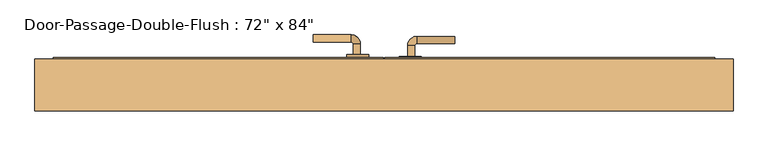
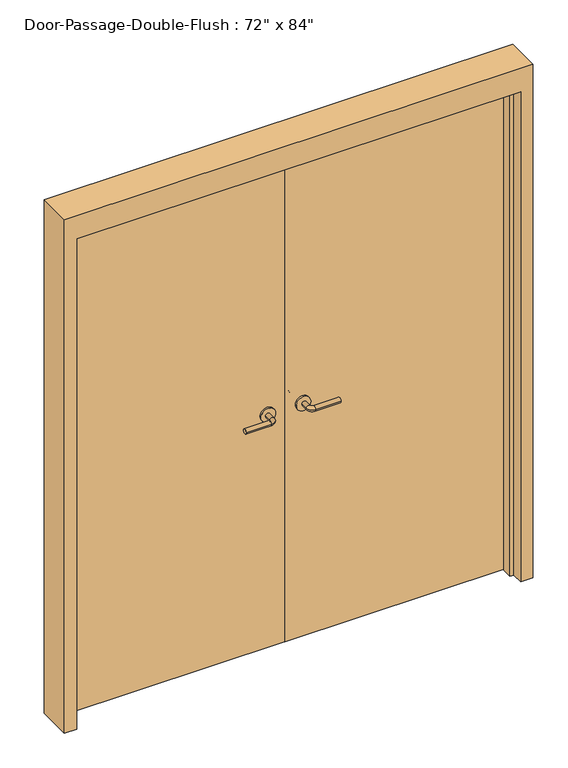
"""IFC4 building model written with IfcOpenShell, lengths in millimetres: door geometry."""

from ifc_helpers import new_model, si_unit, point, frame, frame_2d, origin, origin_with_axes, place, context, project, spatial, polyline, circle_curve, ellipse_curve, trimmed, segment, composite_curve, outline, extrude, faceted_brep, source, transform, mapped, element, save
from ifc_brep_helpers import plane_surface, cylinder_surface, revolved_surface, advanced_brep


def door_ceb402e0(model_context):
    return source(origin(), model_context, "Body", "SolidModel", [
        advanced_brep(
        [(-65.009375, 25.3375, 1016.0), (-85.009375, 25.3375, 1016.0), (-65.009375, -4.6625, 1016.0), (-85.009375, -4.6625, 1016.0), (-90.009375, -9.6625, 1016.0), (-90.009375, -29.6625, 1016.0), (-195.009375, -29.6625, 1016.0), (-195.009375, -9.6625, 1016.0)],
        [
            (0, 1, circle_curve(frame((-75.009375, 25.3375, 1016.0), z_axis=(0.0, 1.0, 0.0), x_axis=(-1.0, 0.0, 0.0)), 10.0)),
            (1, 0, circle_curve(frame((-75.009375, 25.3375, 1016.0), z_axis=(0.0, 1.0, 0.0), x_axis=(-1.0, 0.0, 0.0)), 10.0)),
            (0, 2),
            (2, 3, circle_curve(frame((-75.009375, -4.6625, 1016.0), z_axis=(0.0, 1.0, 0.0), x_axis=(-1.0, 0.0, 0.0)), 10.0)),
            (3, 1),
            (3, 2, circle_curve(frame((-75.009375, -4.6625, 1016.0), z_axis=(0.0, 1.0, 0.0), x_axis=(-1.0, 0.0, 0.0)), 10.0)),
            (4, 3, circle_curve(frame((-90.009375, -4.6625, 1016.0), z_axis=(0.0, 0.0, 1.0), x_axis=(1.0, 0.0, 0.0)), 5.0)),
            (2, 5, circle_curve(frame((-90.009375, -4.6625, 1016.0), z_axis=(0.0, 0.0, -1.0), x_axis=(1.0, 0.0, 0.0)), 25.0)),
            (5, 4, circle_curve(frame((-90.009375, -19.6625, 1016.0), z_axis=(1.0, 0.0, 0.0), x_axis=(0.0, 1.0, 0.0)), 10.0)),
            (4, 5, circle_curve(frame((-90.009375, -19.6625, 1016.0), z_axis=(1.0, 0.0, 0.0), x_axis=(0.0, 1.0, 0.0)), 10.0)),
            (6, 7, circle_curve(frame((-195.009375, -19.6625, 1016.0), z_axis=(-1.0, 0.0, 0.0), x_axis=(0.0, 1.0, 0.0)), 10.0)),
            (7, 6, circle_curve(frame((-195.009375, -19.6625, 1016.0), z_axis=(-1.0, 0.0, 0.0), x_axis=(0.0, 1.0, 0.0)), 10.0)),
            (5, 6),
            (7, 4),
        ],
        [
            plane_surface(frame((-75.009375, 25.3375, 1016.0), z_axis=(0.0, 1.0, 0.0), x_axis=(0.0, 0.0, 1.0))),
            cylinder_surface(frame((-75.009375, 25.3375, 1016.0), z_axis=(0.0, 1.0, 0.0), x_axis=(-1.0, 0.0, 0.0)), 10.0),
            revolved_surface(trimmed(ellipse_curve(frame((-75.009375, -4.6625, 1016.0), z_axis=(0.0, 1.0, 0.0), x_axis=(-1.0, 0.0, 0.0)), 10.0, 10.0), [point((-65.009375, -4.6625, 1016.0))], [point((-85.009375, -4.6625, 1016.0))], True, "CARTESIAN"), (-90.009375, -4.6625, 1016.0), (0.0, 0.0, -1.0)),
            revolved_surface(trimmed(ellipse_curve(frame((-75.009375, -4.6625, 1016.0), z_axis=(0.0, 1.0, 0.0), x_axis=(-1.0, 0.0, 0.0)), 10.0, 10.0), [point((-85.009375, -4.6625, 1016.0))], [point((-65.009375, -4.6625, 1016.0))], True, "CARTESIAN"), (-90.009375, -4.6625, 1016.0), (0.0, 0.0, -1.0)),
            plane_surface(frame((-195.009375, -19.6625, 1016.0), z_axis=(-1.0, 0.0, 0.0), x_axis=(0.0, 0.0, 1.0))),
            cylinder_surface(frame((-90.009375, -19.6625, 1016.0), z_axis=(1.0, 0.0, 0.0), x_axis=(0.0, 1.0, 0.0)), 10.0),
        ],
        [
            (0, [[1, 2]]),
            (1, [[-1, 3, 4, 5]]),
            (1, [[-2, -5, 6, -3]]),
            (2, [[7, -4, 8, 9]]),
            (3, [[-8, -6, -7, 10]]),
            (4, [[11, 12]]),
            (5, [[-9, 13, -12, 14]]),
            (5, [[-10, -14, -11, -13]]),
        ],
    ),
        extrude(outline(composite_curve([segment(trimmed(circle_curve(frame_2d((1016.0, -72.509375)), 30.0), [point((1016.0, -42.509375))], [point((1016.0, -102.509375))], False, "CARTESIAN"), True, "CONTINUOUS"), segment(trimmed(circle_curve(frame_2d((1016.0, -72.509375)), 30.0), [point((1016.0, -102.509375))], [point((1016.0, -42.509375))], False, "CARTESIAN"), True, "CONTINUOUS")], self_intersect=False)), frame((0.0, 25.3375, 0.0), z_axis=(0.0, 1.0, 0.0), x_axis=(0.0, 0.0, 1.0)), (0.0, 0.0, 1.0), 8.0),
        advanced_brep(
        [(-65.009375, 90.55, 1016.0), (-85.009375, 90.55, 1016.0), (-85.009375, 120.55, 1016.0), (-65.009375, 120.55, 1016.0), (-90.009375, 125.55, 1016.0), (-90.009375, 145.55, 1016.0), (-195.009375, 145.55, 1016.0), (-195.009375, 125.55, 1016.0)],
        [
            (0, 1, circle_curve(frame((-75.009375, 90.55, 1016.0), z_axis=(0.0, -1.0, 0.0), x_axis=(-1.0, 0.0, 0.0)), 10.0)),
            (1, 0, circle_curve(frame((-75.009375, 90.55, 1016.0), z_axis=(0.0, -1.0, 0.0), x_axis=(-1.0, 0.0, 0.0)), 10.0)),
            (1, 2),
            (2, 3, circle_curve(frame((-75.009375, 120.55, 1016.0), z_axis=(0.0, -1.0, 0.0), x_axis=(-1.0, 0.0, 0.0)), 10.0)),
            (3, 0),
            (3, 2, circle_curve(frame((-75.009375, 120.55, 1016.0), z_axis=(0.0, -1.0, 0.0), x_axis=(-1.0, 0.0, 0.0)), 10.0)),
            (4, 5, circle_curve(frame((-90.009375, 135.55, 1016.0), z_axis=(1.0, 0.0, 0.0), x_axis=(0.0, -1.0, 0.0)), 10.0)),
            (5, 3, circle_curve(frame((-90.009375, 120.55, 1016.0), z_axis=(0.0, 0.0, -1.0), x_axis=(1.0, 0.0, 0.0)), 25.0)),
            (2, 4, circle_curve(frame((-90.009375, 120.55, 1016.0), z_axis=(0.0, 0.0, 1.0), x_axis=(1.0, 0.0, 0.0)), 5.0)),
            (5, 4, circle_curve(frame((-90.009375, 135.55, 1016.0), z_axis=(1.0, 0.0, 0.0), x_axis=(0.0, -1.0, 0.0)), 10.0)),
            (6, 7, circle_curve(frame((-195.009375, 135.55, 1016.0), z_axis=(-1.0, 0.0, 0.0), x_axis=(0.0, -1.0, 0.0)), 10.0)),
            (7, 6, circle_curve(frame((-195.009375, 135.55, 1016.0), z_axis=(-1.0, 0.0, 0.0), x_axis=(0.0, -1.0, 0.0)), 10.0)),
            (4, 7),
            (6, 5),
        ],
        [
            plane_surface(frame((-75.009375, 90.55, 1016.0), z_axis=(0.0, -1.0, 0.0), x_axis=(0.0, 0.0, 1.0))),
            cylinder_surface(frame((-75.009375, 90.55, 1016.0), z_axis=(0.0, -1.0, 0.0), x_axis=(-1.0, 0.0, 0.0)), 10.0),
            revolved_surface(trimmed(ellipse_curve(frame((-75.009375, 120.55, 1016.0), z_axis=(0.0, 1.0, 0.0), x_axis=(-1.0, 0.0, 0.0)), 10.0, 10.0), [point((-65.009375, 120.55, 1016.0))], [point((-85.009375, 120.55, 1016.0))], True, "CARTESIAN"), (-90.009375, 120.55, 1016.0), (0.0, 0.0, -1.0)),
            revolved_surface(trimmed(ellipse_curve(frame((-75.009375, 120.55, 1016.0), z_axis=(0.0, 1.0, 0.0), x_axis=(-1.0, 0.0, 0.0)), 10.0, 10.0), [point((-85.009375, 120.55, 1016.0))], [point((-65.009375, 120.55, 1016.0))], True, "CARTESIAN"), (-90.009375, 120.55, 1016.0), (0.0, 0.0, -1.0)),
            plane_surface(frame((-195.009375, 135.55, 1016.0), z_axis=(-1.0, 0.0, 0.0), x_axis=(0.0, 0.0, 1.0))),
            cylinder_surface(frame((-90.009375, 135.55, 1016.0), z_axis=(1.0, 0.0, 0.0), x_axis=(0.0, -1.0, 0.0)), 10.0),
        ],
        [
            (0, [[1, 2]]),
            (1, [[3, 4, 5, -2]]),
            (1, [[-5, 6, -3, -1]]),
            (2, [[7, 8, -4, 9]]),
            (3, [[10, -9, -6, -8]]),
            (4, [[11, 12]]),
            (5, [[13, -11, 14, -7]]),
            (5, [[-14, -12, -13, -10]]),
        ],
    ),
        extrude(outline(composite_curve([segment(trimmed(circle_curve(frame_2d((1016.0, -72.509375)), 30.0), [point((1016.0, -42.509375))], [point((1016.0, -102.509375))], False, "CARTESIAN"), True, "CONTINUOUS"), segment(trimmed(circle_curve(frame_2d((1016.0, -72.509375)), 30.0), [point((1016.0, -102.509375))], [point((1016.0, -42.509375))], False, "CARTESIAN"), True, "CONTINUOUS")], self_intersect=False)), frame((0.0, 82.55, 0.0), z_axis=(0.0, 1.0, 0.0), x_axis=(0.0, 0.0, 1.0)), (0.0, 0.0, 1.0), 8.0),
        advanced_brep(
        [(65.009375, 25.3375, 1016.0), (85.009375, 25.3375, 1016.0), (85.009375, -4.6625, 1016.0), (65.009375, -4.6625, 1016.0), (90.009375, -9.6625, 1016.0), (90.009375, -29.6625, 1016.0), (195.009375, -29.6625, 1016.0), (195.009375, -9.6625, 1016.0)],
        [
            (0, 1, circle_curve(frame((75.009375, 25.3375, 1016.0), z_axis=(0.0, 1.0, 0.0), x_axis=(1.0, 0.0, 0.0)), 10.0)),
            (1, 0, circle_curve(frame((75.009375, 25.3375, 1016.0), z_axis=(0.0, 1.0, 0.0), x_axis=(1.0, 0.0, 0.0)), 10.0)),
            (1, 2),
            (2, 3, circle_curve(frame((75.009375, -4.6625, 1016.0), z_axis=(0.0, 1.0, 0.0), x_axis=(1.0, 0.0, 0.0)), 10.0)),
            (3, 0),
            (3, 2, circle_curve(frame((75.009375, -4.6625, 1016.0), z_axis=(0.0, 1.0, 0.0), x_axis=(1.0, 0.0, 0.0)), 10.0)),
            (4, 5, circle_curve(frame((90.009375, -19.6625, 1016.0), z_axis=(-1.0, 0.0, 0.0), x_axis=(0.0, 1.0, 0.0)), 10.0)),
            (5, 3, circle_curve(frame((90.009375, -4.6625, 1016.0), z_axis=(0.0, 0.0, -1.0), x_axis=(-1.0, 0.0, 0.0)), 25.0)),
            (2, 4, circle_curve(frame((90.009375, -4.6625, 1016.0), z_axis=(0.0, 0.0, 1.0), x_axis=(-1.0, 0.0, 0.0)), 5.0)),
            (5, 4, circle_curve(frame((90.009375, -19.6625, 1016.0), z_axis=(-1.0, 0.0, 0.0), x_axis=(0.0, 1.0, 0.0)), 10.0)),
            (6, 7, circle_curve(frame((195.009375, -19.6625, 1016.0), z_axis=(1.0, 0.0, 0.0), x_axis=(0.0, 1.0, 0.0)), 10.0)),
            (7, 6, circle_curve(frame((195.009375, -19.6625, 1016.0), z_axis=(1.0, 0.0, 0.0), x_axis=(0.0, 1.0, 0.0)), 10.0)),
            (4, 7),
            (6, 5),
        ],
        [
            plane_surface(frame((75.009375, 25.3375, 1016.0), z_axis=(0.0, 1.0, 0.0), x_axis=(0.0, 0.0, 1.0))),
            cylinder_surface(frame((75.009375, 25.3375, 1016.0), z_axis=(0.0, 1.0, 0.0), x_axis=(1.0, 0.0, 0.0)), 10.0),
            revolved_surface(trimmed(ellipse_curve(frame((75.009375, -4.6625, 1016.0), z_axis=(0.0, -1.0, 0.0), x_axis=(1.0, 0.0, 0.0)), 10.0, 10.0), [point((65.009375, -4.6625, 1016.0))], [point((85.009375, -4.6625, 1016.0))], True, "CARTESIAN"), (90.009375, -4.6625, 1016.0), (0.0, 0.0, -1.0)),
            revolved_surface(trimmed(ellipse_curve(frame((75.009375, -4.6625, 1016.0), z_axis=(0.0, -1.0, 0.0), x_axis=(1.0, 0.0, 0.0)), 10.0, 10.0), [point((85.009375, -4.6625, 1016.0))], [point((65.009375, -4.6625, 1016.0))], True, "CARTESIAN"), (90.009375, -4.6625, 1016.0), (0.0, 0.0, -1.0)),
            plane_surface(frame((195.009375, -19.6625, 1016.0), z_axis=(1.0, 0.0, 0.0), x_axis=(0.0, 0.0, 1.0))),
            cylinder_surface(frame((90.009375, -19.6625, 1016.0), z_axis=(-1.0, 0.0, 0.0), x_axis=(0.0, 1.0, 0.0)), 10.0),
        ],
        [
            (0, [[1, 2]]),
            (1, [[3, 4, 5, -2]]),
            (1, [[-5, 6, -3, -1]]),
            (2, [[7, 8, -4, 9]]),
            (3, [[10, -9, -6, -8]]),
            (4, [[11, 12]]),
            (5, [[13, -11, 14, -7]]),
            (5, [[-14, -12, -13, -10]]),
        ],
    ),
        extrude(outline(composite_curve([segment(trimmed(circle_curve(frame_2d((1016.0, 72.509375)), 30.0), [point((1016.0, 42.509375))], [point((1016.0, 102.509375))], False, "CARTESIAN"), True, "CONTINUOUS"), segment(trimmed(circle_curve(frame_2d((1016.0, 72.509375)), 30.0), [point((1016.0, 102.509375))], [point((1016.0, 42.509375))], False, "CARTESIAN"), True, "CONTINUOUS")], self_intersect=False)), frame((0.0, 25.3375, 0.0), z_axis=(0.0, 1.0, 0.0), x_axis=(0.0, 0.0, 1.0)), (0.0, 0.0, 1.0), 8.0),
        advanced_brep(
        [(65.009375, 85.7875, 1016.0), (85.009375, 85.7875, 1016.0), (65.009375, 115.7875, 1016.0), (85.009375, 115.7875, 1016.0), (90.009375, 120.7875, 1016.0), (90.009375, 140.7875, 1016.0), (195.009375, 140.7875, 1016.0), (195.009375, 120.7875, 1016.0)],
        [
            (0, 1, circle_curve(frame((75.009375, 85.7875, 1016.0), z_axis=(0.0, -1.0, 0.0), x_axis=(1.0, 0.0, 0.0)), 10.0)),
            (1, 0, circle_curve(frame((75.009375, 85.7875, 1016.0), z_axis=(0.0, -1.0, 0.0), x_axis=(1.0, 0.0, 0.0)), 10.0)),
            (0, 2),
            (2, 3, circle_curve(frame((75.009375, 115.7875, 1016.0), z_axis=(0.0, -1.0, 0.0), x_axis=(1.0, 0.0, 0.0)), 10.0)),
            (3, 1),
            (3, 2, circle_curve(frame((75.009375, 115.7875, 1016.0), z_axis=(0.0, -1.0, 0.0), x_axis=(1.0, 0.0, 0.0)), 10.0)),
            (4, 3, circle_curve(frame((90.009375, 115.7875, 1016.0), z_axis=(0.0, 0.0, 1.0), x_axis=(-1.0, 0.0, 0.0)), 5.0)),
            (2, 5, circle_curve(frame((90.009375, 115.7875, 1016.0), z_axis=(0.0, 0.0, -1.0), x_axis=(-1.0, 0.0, 0.0)), 25.0)),
            (5, 4, circle_curve(frame((90.009375, 130.7875, 1016.0), z_axis=(-1.0, 0.0, 0.0), x_axis=(0.0, -1.0, 0.0)), 10.0)),
            (4, 5, circle_curve(frame((90.009375, 130.7875, 1016.0), z_axis=(-1.0, 0.0, 0.0), x_axis=(0.0, -1.0, 0.0)), 10.0)),
            (6, 7, circle_curve(frame((195.009375, 130.7875, 1016.0), z_axis=(1.0, 0.0, 0.0), x_axis=(0.0, -1.0, 0.0)), 10.0)),
            (7, 6, circle_curve(frame((195.009375, 130.7875, 1016.0), z_axis=(1.0, 0.0, 0.0), x_axis=(0.0, -1.0, 0.0)), 10.0)),
            (5, 6),
            (7, 4),
        ],
        [
            plane_surface(frame((75.009375, 85.7875, 1016.0), z_axis=(0.0, -1.0, 0.0), x_axis=(0.0, 0.0, 1.0))),
            cylinder_surface(frame((75.009375, 85.7875, 1016.0), z_axis=(0.0, -1.0, 0.0), x_axis=(1.0, 0.0, 0.0)), 10.0),
            revolved_surface(trimmed(ellipse_curve(frame((75.009375, 115.7875, 1016.0), z_axis=(0.0, -1.0, 0.0), x_axis=(1.0, 0.0, 0.0)), 10.0, 10.0), [point((65.009375, 115.7875, 1016.0))], [point((85.009375, 115.7875, 1016.0))], True, "CARTESIAN"), (90.009375, 115.7875, 1016.0), (0.0, 0.0, -1.0)),
            revolved_surface(trimmed(ellipse_curve(frame((75.009375, 115.7875, 1016.0), z_axis=(0.0, -1.0, 0.0), x_axis=(1.0, 0.0, 0.0)), 10.0, 10.0), [point((85.009375, 115.7875, 1016.0))], [point((65.009375, 115.7875, 1016.0))], True, "CARTESIAN"), (90.009375, 115.7875, 1016.0), (0.0, 0.0, -1.0)),
            plane_surface(frame((195.009375, 130.7875, 1016.0), z_axis=(1.0, 0.0, 0.0), x_axis=(0.0, 0.0, 1.0))),
            cylinder_surface(frame((90.009375, 130.7875, 1016.0), z_axis=(-1.0, 0.0, 0.0), x_axis=(0.0, -1.0, 0.0)), 10.0),
        ],
        [
            (0, [[1, 2]]),
            (1, [[-1, 3, 4, 5]]),
            (1, [[-2, -5, 6, -3]]),
            (2, [[7, -4, 8, 9]]),
            (3, [[-8, -6, -7, 10]]),
            (4, [[11, 12]]),
            (5, [[-9, 13, -12, 14]]),
            (5, [[-10, -14, -11, -13]]),
        ],
    ),
        extrude(outline(composite_curve([segment(trimmed(circle_curve(frame_2d((1016.0, 72.509375)), 30.0), [point((1016.0, 42.509375))], [point((1016.0, 102.509375))], False, "CARTESIAN"), True, "CONTINUOUS"), segment(trimmed(circle_curve(frame_2d((1016.0, 72.509375)), 30.0), [point((1016.0, 102.509375))], [point((1016.0, 42.509375))], False, "CARTESIAN"), True, "CONTINUOUS")], self_intersect=False)), frame((0.0, 77.7875, 0.0), z_axis=(0.0, 1.0, 0.0), x_axis=(0.0, 0.0, 1.0)), (0.0, 0.0, 1.0), 8.0),
        faceted_brep([(914.4, 28.575, 0.0), (914.4, 77.7875, 0.0), (965.2, 77.7875, 0.0), (965.2, -65.0875, 0.0), (914.4, -65.0875, 0.0), (914.4, -15.875, 0.0), (898.525, -15.875, 0.0), (898.525, 28.575, 0.0), (914.4, 28.575, 2133.6), (914.4, 77.7875, 2133.6), (-914.4, 77.7875, 2133.6), (-914.4, 77.7875, 0.0), (-965.2, 77.7875, 0.0), (-965.2, 77.7875, 2235.2), (965.2, 77.7875, 2235.2), (965.2, -65.0875, 2235.2), (-965.2, -65.0875, 2235.2), (-965.2, -65.0875, 0.0), (-914.4, -65.0875, 0.0), (-914.4, -65.0875, 2133.6), (914.4, -65.0875, 2133.6), (914.4, -15.875, 2133.6), (-914.4, -15.875, 2133.6), (-914.4, -15.875, 0.0), (-898.525, -15.875, 0.0), (-898.525, -15.875, 2117.725), (898.525, -15.875, 2117.725), (898.525, 28.575, 2117.725), (-898.525, 28.575, 2117.725), (-898.525, 28.575, 0.0), (-914.4, 28.575, 0.0), (-914.4, 28.575, 2133.6)], [[[0, 1, 2, 3, 4, 5, 6, 7]], [[1, 0, 8, 9]], [[2, 1, 9, 10, 11, 12, 13, 14]], [[3, 2, 14, 15]], [[4, 3, 15, 16, 17, 18, 19, 20]], [[5, 4, 20, 21]], [[6, 5, 21, 22, 23, 24, 25, 26]], [[7, 6, 26, 27]], [[0, 7, 27, 28, 29, 30, 31, 8]], [[9, 8, 31, 10]], [[20, 19, 22, 21]], [[26, 25, 28, 27]], [[12, 11, 30, 29, 24, 23, 18, 17]], [[11, 10, 31, 30]], [[13, 12, 17, 16]], [[19, 18, 23, 22]], [[25, 24, 29, 28]], [[15, 14, 13, 16]]]),
        extrude(outline(polyline([(914.4, 33.3375), (1.5875, 33.3375), (1.5875, 82.55), (914.4, 82.55), (914.4, 33.3375)])), origin_with_axes(), (0.0, 0.0, 1.0), 2133.6),
        extrude(outline(polyline([(-1.5875, 33.3375), (-914.4, 33.3375), (-914.4, 82.55), (-1.5875, 82.55), (-1.5875, 33.3375)])), origin_with_axes(), (0.0, 0.0, 1.0), 2133.6),
    ])


if __name__ == "__main__":
    model = new_model("IFC4")
    model_context = context("Model", 3, world=origin())
    ifc_project = project(units=[si_unit("LENGTHUNIT", "METRE", prefix="MILLI")], contexts=[model_context])
    site = spatial("IfcSite", under=ifc_project)
    building = spatial("IfcBuilding", under=site)
    placement = place(None, origin())
    door_shape = door_ceb402e0(model_context)
    element("IfcDoor", 1, ObjectType="Door-Passage-Double-Flush : 72\" x 84\"", at=placement, inside=building, context=model_context, shape_type="MappedRepresentation", body=[
        mapped(door_shape, transform((0.0, 0.0, 0.0), x_axis=(1.0, 0.0, 0.0), y_axis=(0.0, 1.0, 0.0), z_axis=(0.0, 0.0, 1.0))),
    ])
    save(model, "model.ifc")
